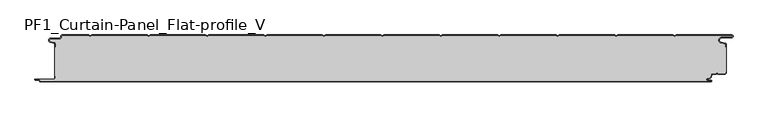
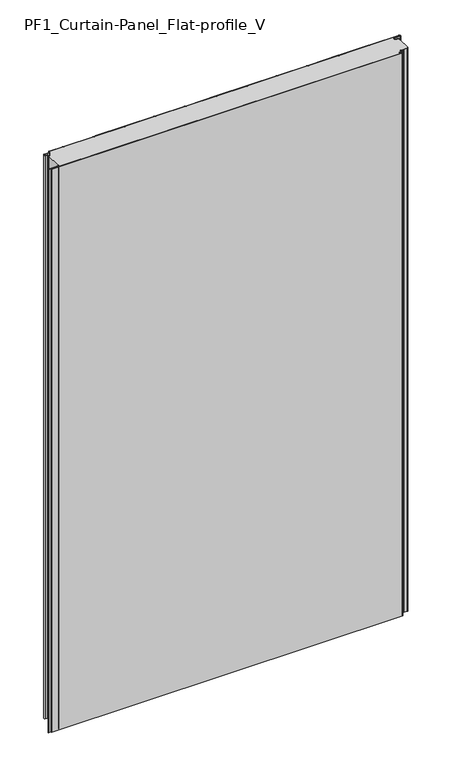
"""IFC4 building model written with IfcOpenShell, lengths in millimetres: plate geometry, PF1_Curtain-Panel_Flat-profile_V."""

import ifcopenshell
import ifcopenshell.guid

model = None  # the IFC model being written
_history = None  # IfcOwnerHistory: only IFC2X3 demands one
_inside = {}  # id of a spatial element -> (the spatial element, [elements in it])
_under = {}  # id of a project, library or spatial element -> (it, [spatial elements below it])
_declared = {}  # id of a project -> (the project, [libraries it declares])
_typed = {}  # id of a type object -> (the type object, [elements of that type])
_made_of = {}  # id of a material, layer set ... -> (it, [elements and type objects made of it])


def new_model(schema):
    """Start an empty IFC model of exactly this schema.

    Asked for "IFC4X3", IfcOpenShell would pick the latest addendum, in which some entities
    have other attributes; the version numbers below select the first issue.
    IFC2X3 requires an IfcOwnerHistory on every rooted entity: one is made here for all.
    """
    global model, _history
    if schema == "IFC4X3":
        model = ifcopenshell.file(schema_version=(4, 3, 0, 0))
    else:
        model = ifcopenshell.file(schema=schema)
    _inside.clear()
    _under.clear()
    _declared.clear()
    _typed.clear()
    _made_of.clear()
    _history = None
    if model.schema == "IFC2X3":
        org = make("IfcOrganization", Name="unknown")
        user = make(
            "IfcPersonAndOrganization",
            ThePerson=make("IfcPerson", FamilyName="unknown"),
            TheOrganization=org,
        )
        app = make(
            "IfcApplication",
            ApplicationDeveloper=org,
            Version="unknown",
            ApplicationFullName="unknown",
            ApplicationIdentifier="unknown",
        )
        _history = make(
            "IfcOwnerHistory",
            OwningUser=user,
            OwningApplication=app,
            ChangeAction="ADDED",
            CreationDate=0,
        )
    return model


def make(cls, **values):
    """One entity of the class cls with the attributes given. An attribute that is None is left unset."""
    return model.create_entity(
        cls, **{name: value for name, value in values.items() if value is not None}
    )


def rooted(cls, **values):
    """An entity with a GlobalId (a new one), such as an element, a storey or a relation."""
    return make(cls, GlobalId=ifcopenshell.guid.new(), OwnerHistory=_history, **values)


def si_unit(unit_type, name, prefix=None):
    """IfcSIUnit, for example si_unit("LENGTHUNIT", "METRE", prefix="MILLI")."""
    return make("IfcSIUnit", UnitType=unit_type, Prefix=prefix, Name=name)


def assignment(units):
    """IfcUnitAssignment: the units of a project."""
    return None if units is None else make("IfcUnitAssignment", Units=units)


def point(xyz):
    """IfcCartesianPoint."""
    return None if xyz is None else make("IfcCartesianPoint", Coordinates=xyz)


def direction(xyz):
    """IfcDirection."""
    return None if xyz is None else make("IfcDirection", DirectionRatios=xyz)


def frame(location, z_axis=None, x_axis=None):
    """IfcAxis2Placement3D, a coordinate frame: its origin and axes. An axis left out is left unset."""
    return make(
        "IfcAxis2Placement3D",
        Location=point(location),
        Axis=direction(z_axis),
        RefDirection=direction(x_axis),
    )


def frame_2d(location, x_axis=None):
    """IfcAxis2Placement2D, a coordinate frame in the plane: its origin and x axis."""
    return make(
        "IfcAxis2Placement2D", Location=point(location), RefDirection=direction(x_axis)
    )


def origin():
    """The frame at (0, 0, 0) with its axes left unset."""
    return frame((0.0, 0.0, 0.0))


def origin_with_axes():
    """The frame at (0, 0, 0) with the z axis (0, 0, 1) and the x axis (1, 0, 0) written out."""
    return frame((0.0, 0.0, 0.0), z_axis=(0.0, 0.0, 1.0), x_axis=(1.0, 0.0, 0.0))


def place(relative_to, where):
    """IfcLocalPlacement: puts the frame where relative to a parent placement (None: the world)."""
    return make(
        "IfcLocalPlacement", PlacementRelTo=relative_to, RelativePlacement=where
    )


def context(
    kind, dimensions, precision=None, world=None, true_north=None, identifier=None
):
    """IfcGeometricRepresentationContext, for example the 3D "Model" context."""
    return make(
        "IfcGeometricRepresentationContext",
        ContextIdentifier=identifier,
        ContextType=kind,
        CoordinateSpaceDimension=dimensions,
        Precision=precision,
        WorldCoordinateSystem=world,
        TrueNorth=true_north,
    )


def project(units=None, contexts=None):
    """IfcProject with its units and contexts."""
    return rooted(
        "IfcProject",
        Name="project",
        RepresentationContexts=contexts,
        UnitsInContext=assignment(units),
    )


def spatial(cls, under=None, at=None, **own):
    """A site, building, storey or space (cls), placed at a placement, below another one or the project."""
    s = rooted(cls, ObjectPlacement=at, **own)
    if under is not None:
        _under.setdefault(under.id(), (under, []))[1].append(s)
    return s


def polyline(points):
    """IfcPolyline through the points."""
    return make("IfcPolyline", Points=[point(p) for p in points])


def circle_curve(where, radius):
    """IfcCircle in the frame where."""
    return make("IfcCircle", Position=where, Radius=radius)


def trimmed(basis, trim1, trim2, sense, master):
    """IfcTrimmedCurve: the piece of a basis curve between two trims."""
    return make(
        "IfcTrimmedCurve",
        BasisCurve=basis,
        Trim1=trim1,
        Trim2=trim2,
        SenseAgreement=sense,
        MasterRepresentation=master,
    )


def segment(curve, same_sense, transition):
    """IfcCompositeCurveSegment."""
    return make(
        "IfcCompositeCurveSegment",
        Transition=transition,
        SameSense=same_sense,
        ParentCurve=curve,
    )


def composite_curve(segments, self_intersect=None):
    """IfcCompositeCurve: segments joined end to end."""
    return make("IfcCompositeCurve", Segments=segments, SelfIntersect=self_intersect)


def outline(outer, holes=None, kind="AREA"):
    """IfcArbitraryClosedProfileDef: a profile drawn as a closed curve; with holes, ...WithVoids."""
    if holes is None:
        return make("IfcArbitraryClosedProfileDef", ProfileType=kind, OuterCurve=outer)
    return make(
        "IfcArbitraryProfileDefWithVoids",
        ProfileType=kind,
        OuterCurve=outer,
        InnerCurves=holes,
    )


def extrude(swept, where, along, depth):
    """IfcExtrudedAreaSolid: the profile swept, set in the frame where, extruded along a direction by depth."""
    return make(
        "IfcExtrudedAreaSolid",
        SweptArea=swept,
        Position=where,
        ExtrudedDirection=direction(along),
        Depth=depth,
    )


def shape(context_of_items, identifier, shape_type, items):
    """IfcShapeRepresentation: the items that make up one representation, for example the "Body"."""
    return make(
        "IfcShapeRepresentation",
        ContextOfItems=context_of_items,
        RepresentationIdentifier=identifier,
        RepresentationType=shape_type,
        Items=items,
    )


def source(mapping_origin, context_of_items, identifier, shape_type, items):
    """IfcRepresentationMap: a shape defined once, which mapped items show again and again."""
    return make(
        "IfcRepresentationMap",
        MappingOrigin=mapping_origin,
        MappedRepresentation=shape(context_of_items, identifier, shape_type, items),
    )


def transform(
    local_origin,
    x_axis=None,
    y_axis=None,
    z_axis=None,
    scale=None,
    scale2=None,
    scale3=None,
    uniform=True,
):
    """IfcCartesianTransformationOperator3D, or its non-uniform kind. x_axis, y_axis, z_axis: its Axis1, 2, 3."""
    if uniform:
        return make(
            "IfcCartesianTransformationOperator3D",
            Axis1=direction(x_axis),
            Axis2=direction(y_axis),
            LocalOrigin=point(local_origin),
            Scale=scale,
            Axis3=direction(z_axis),
        )
    return make(
        "IfcCartesianTransformationOperator3DnonUniform",
        Axis1=direction(x_axis),
        Axis2=direction(y_axis),
        LocalOrigin=point(local_origin),
        Scale=scale,
        Axis3=direction(z_axis),
        Scale2=scale2,
        Scale3=scale3,
    )


def mapped(mapping_source, mapping_target):
    """IfcMappedItem: shows the shape of a source again, moved by a transform."""
    return make(
        "IfcMappedItem", MappingSource=mapping_source, MappingTarget=mapping_target
    )


def made_of(thing, what):
    """Note that an element or type object is made of a material, layer set ...; save() writes the relation."""
    if what is not None:
        _made_of.setdefault(what.id(), (what, []))[1].append(thing)
    return thing


def element(
    cls,
    number,
    at=None,
    inside=None,
    cuts=None,
    type_object=None,
    material=None,
    context=None,
    identifier="Body",
    shape_type=None,
    held_by="IfcProductDefinitionShape",
    body=None,
    shapes=None,
    **own,
):
    """One element of the class cls, such as IfcWall. Its Tag is "e" and its number.

    at: its placement. inside: the storey or other place that contains it. cuts: it is an
    opening in that element (IfcRelVoidsElement). A single representation is given by context,
    identifier, shape_type and body (its items); several are given by shapes. held_by: the class
    of the entity that holds the representations. save() writes the other relations.
    """
    e = rooted(cls, Tag="e%d" % number, ObjectPlacement=at, **own)
    if body is not None:
        shapes = [shape(context, identifier, shape_type, body)]
    if shapes is not None:
        e.Representation = make(held_by, Representations=shapes)
    if inside is not None:
        _inside.setdefault(inside.id(), (inside, []))[1].append(e)
    if cuts is not None:
        rooted(
            "IfcRelVoidsElement", RelatingBuildingElement=cuts, RelatedOpeningElement=e
        )
    if type_object is not None:
        _typed.setdefault(type_object.id(), (type_object, []))[1].append(e)
    return made_of(e, material)


def aggregate(whole, parts):
    """IfcRelAggregates: a whole, such as a stair, and the parts it consists of."""
    return rooted("IfcRelAggregates", RelatingObject=whole, RelatedObjects=parts)


def save(model, path):
    """Write the relations noted so far, then the file.

    IfcRelAggregates (storeys below a building ...), IfcRelContainedInSpatialStructure (elements
    in a storey), IfcRelDefinesByType, IfcRelAssociatesMaterial and IfcRelDeclares: one each for
    every whole, place, type object, material and project.
    """
    for whole, parts in _under.values():
        aggregate(whole, parts)
    for where, things in _inside.values():
        rooted(
            "IfcRelContainedInSpatialStructure",
            RelatedElements=things,
            RelatingStructure=where,
        )
    for kind, things in _typed.values():
        rooted("IfcRelDefinesByType", RelatedObjects=things, RelatingType=kind)
    for what, things in _made_of.values():
        rooted("IfcRelAssociatesMaterial", RelatedObjects=things, RelatingMaterial=what)
    for by, libraries in _declared.values():
        rooted("IfcRelDeclares", RelatingContext=by, RelatedDefinitions=libraries)
    model.write(path)


def pf1_curtain_panel_flat_profile_v_b71db763(model_context):
    return source(origin(), model_context, "Body", "SweptSolid", [
        extrude(outline(composite_curve([segment(trimmed(circle_curve(frame_2d((-577.0, -15.878557)), 2.0), [point((-575.0, -15.878557))], [point((-576.5500978, -13.9298169))], True, "CARTESIAN"), True, "CONTINUOUS"), segment(polyline([(-576.5500978, -13.9298169), (-582.7098239, -12.507732)]), True, "CONTINUOUS"), segment(trimmed(circle_curve(frame_2d((-581.9, -9.0)), 3.6), [point((-582.7098239, -12.507732))], [point((-581.9, -5.4))], False, "CARTESIAN"), True, "CONTINUOUS"), segment(polyline([(-581.9, -5.4), (-566.4, -5.4)]), True, "CONTINUOUS"), segment(trimmed(circle_curve(frame_2d((-566.4, -3.4)), 2.0), [point((-566.4, -5.4))], [point((-564.4, -3.4))], True, "CARTESIAN"), True, "CONTINUOUS"), segment(polyline([(-564.4, -3.4), (-564.4, -2.0)]), True, "CONTINUOUS"), segment(trimmed(circle_curve(frame_2d((-562.4, -2.0)), 2.0), [point((-564.4, -2.0))], [point((-562.4, 0.0))], False, "CARTESIAN"), True, "CONTINUOUS"), segment(polyline([(-562.4, 0.0), (-517.0999995, 0.0), (-514.4, -1.5588455), (-511.7000005, 0.0), (-417.0999995, 0.0), (-414.4, -1.5588455), (-411.7000005, 0.0), (-317.0999995, 0.0), (-314.4, -1.5588455), (-311.7000005, 0.0), (-217.0999995, 0.0), (-214.4, -1.5588455), (-211.7000005, 0.0), (-117.0999995, 0.0), (-114.4, -1.5588455), (-111.7000005, 0.0), (-17.0999995, 0.0), (-14.4, -1.5588455), (-11.7000005, 0.0), (82.9000005, 0.0), (85.6, -1.5588455), (88.2999995, 0.0), (182.9000005, 0.0), (185.6, -1.5588455), (188.2999995, 0.0), (282.9000005, 0.0), (285.6, -1.5588455), (288.2999995, 0.0), (382.9000005, 0.0), (385.6, -1.5588455), (388.2999995, 0.0), (482.9000005, 0.0), (485.6, -1.5588455), (488.2999995, 0.0), (583.268846, 0.0)]), True, "CONTINUOUS"), segment(trimmed(circle_curve(frame_2d((583.268846, -2.5)), 2.5), [point((583.268846, 0.0))], [point((583.268846, -5.0))], False, "CARTESIAN"), True, "CONTINUOUS"), segment(polyline([(583.268846, -5.0), (566.268846, -5.0)]), True, "CONTINUOUS"), segment(trimmed(circle_curve(frame_2d((566.268846, -9.0)), 4.0), [point((566.268846, -5.0))], [point((565.574253, -12.939231))], True, "CARTESIAN"), True, "CONTINUOUS"), segment(polyline([(565.574253, -12.939231), (572.0203315, -14.0758491)]), True, "CONTINUOUS"), segment(trimmed(circle_curve(frame_2d((571.568846, -16.6363492)), 2.6), [point((572.0203315, -14.0758491))], [point((574.168846, -16.6363492))], False, "CARTESIAN"), True, "CONTINUOUS"), segment(polyline([(574.168846, -16.6363492), (574.168846, -20.0), (573.368846, -20.0), (573.368846, -16.6363492)]), True, "CONTINUOUS"), segment(trimmed(circle_curve(frame_2d((571.568846, -16.6363492)), 1.8), [point((573.368846, -16.6363492))], [point((571.8814129, -14.8636953))], True, "CARTESIAN"), True, "CONTINUOUS"), segment(polyline([(571.8814129, -14.8636953), (565.4353344, -13.7270772)]), True, "CONTINUOUS"), segment(trimmed(circle_curve(frame_2d((566.268846, -9.0)), 4.8), [point((565.4353344, -13.7270772))], [point((566.268846, -4.2))], False, "CARTESIAN"), True, "CONTINUOUS"), segment(polyline([(566.268846, -4.2), (583.268846, -4.2)]), True, "CONTINUOUS"), segment(trimmed(circle_curve(frame_2d((583.268846, -2.5)), 1.7), [point((583.268846, -4.2))], [point((583.268846, -0.8))], True, "CARTESIAN"), True, "CONTINUOUS"), segment(polyline([(583.268846, -0.8), (488.5143588, -0.8), (485.6, -2.482606), (482.6856412, -0.8), (388.5143588, -0.8), (385.6, -2.482606), (382.6856412, -0.8), (288.5143588, -0.8), (285.6, -2.482606), (282.6856412, -0.8), (188.5143588, -0.8), (185.6, -2.482606), (182.6856412, -0.8), (88.5143588, -0.8), (85.6, -2.482606), (82.6856412, -0.8), (-11.4856412, -0.8), (-14.4, -2.482606), (-17.3143588, -0.8), (-111.4856412, -0.8), (-114.4, -2.482606), (-117.3143588, -0.8), (-211.4856412, -0.8), (-214.4, -2.482606), (-217.3143588, -0.8), (-311.4856412, -0.8), (-314.4, -2.482606), (-317.3143588, -0.8), (-411.4856412, -0.8), (-414.4, -2.482606), (-417.3143588, -0.8), (-511.4856412, -0.8), (-514.4, -2.482606), (-517.3143588, -0.8), (-562.4, -0.8)]), True, "CONTINUOUS"), segment(trimmed(circle_curve(frame_2d((-562.4, -2.0)), 1.2), [point((-562.4, -0.8))], [point((-563.6, -2.0))], True, "CARTESIAN"), True, "CONTINUOUS"), segment(polyline([(-563.6, -2.0), (-563.6, -3.4)]), True, "CONTINUOUS"), segment(trimmed(circle_curve(frame_2d((-566.4, -3.4)), 2.8), [point((-563.6, -3.4))], [point((-566.4, -6.2))], False, "CARTESIAN"), True, "CONTINUOUS"), segment(polyline([(-566.4, -6.2), (-581.9, -6.2)]), True, "CONTINUOUS"), segment(trimmed(circle_curve(frame_2d((-581.9, -9.0)), 2.8), [point((-581.9, -6.2))], [point((-582.529863, -11.7282362))], True, "CARTESIAN"), True, "CONTINUOUS"), segment(polyline([(-582.529863, -11.7282362), (-576.370137, -13.150321)]), True, "CONTINUOUS"), segment(trimmed(circle_curve(frame_2d((-577.0, -15.878557)), 2.8), [point((-576.370137, -13.150321))], [point((-574.2, -15.878557))], False, "CARTESIAN"), True, "CONTINUOUS"), segment(polyline([(-574.2, -15.878557), (-574.2, -20.0), (-575.0, -20.0), (-575.0, -15.878557)]), True, "CONTINUOUS")], self_intersect=False)), origin_with_axes(), (0.0, 0.0, 1.0), 1945.7507136),
        extrude(outline(composite_curve([segment(polyline([(-574.2, -70.0), (-575.0, -70.0), (-575.0, -20.0), (-574.2, -20.0), (-574.2, -15.878557)]), True, "CONTINUOUS"), segment(trimmed(circle_curve(frame_2d((-577.0, -15.878557)), 2.8), [point((-574.2, -15.878557))], [point((-576.370137, -13.1503208))], True, "CARTESIAN"), True, "CONTINUOUS"), segment(polyline([(-576.370137, -13.1503208), (-582.529863, -11.7282362)]), True, "CONTINUOUS"), segment(trimmed(circle_curve(frame_2d((-581.9, -9.0)), 2.8), [point((-582.529863, -11.7282362))], [point((-581.9, -6.2))], False, "CARTESIAN"), True, "CONTINUOUS"), segment(polyline([(-581.9, -6.2), (-566.4, -6.2)]), True, "CONTINUOUS"), segment(trimmed(circle_curve(frame_2d((-566.4, -3.4)), 2.8), [point((-566.4, -6.2))], [point((-563.6, -3.4))], True, "CARTESIAN"), True, "CONTINUOUS"), segment(polyline([(-563.6, -3.4), (-563.6, -2.0)]), True, "CONTINUOUS"), segment(trimmed(circle_curve(frame_2d((-562.4, -2.0)), 1.2), [point((-563.6, -2.0))], [point((-562.4, -0.8))], False, "CARTESIAN"), True, "CONTINUOUS"), segment(polyline([(-562.4, -0.8), (-517.3143588, -0.8), (-514.4, -2.482606), (-511.4856412, -0.8), (-417.3143588, -0.8), (-414.4, -2.482606), (-411.4856412, -0.8), (-317.3143588, -0.8), (-314.4, -2.482606), (-311.4856412, -0.8), (-217.3143588, -0.8), (-214.4, -2.482606), (-211.4856412, -0.8), (-117.3143588, -0.8), (-114.4, -2.482606), (-111.4856412, -0.8), (-17.3143588, -0.8), (-14.4, -2.482606), (-11.4856412, -0.8), (82.6856412, -0.8), (85.6, -2.482606), (88.5143588, -0.8), (182.6856412, -0.8), (185.6, -2.482606), (188.5143588, -0.8), (282.6856412, -0.8), (285.6, -2.482606), (288.5143588, -0.8), (382.6856412, -0.8), (385.6, -2.482606), (388.5143588, -0.8), (482.6856412, -0.8), (485.6, -2.482606), (488.5143588, -0.8), (583.268846, -0.8)]), True, "CONTINUOUS"), segment(trimmed(circle_curve(frame_2d((583.268846, -2.5)), 1.7), [point((583.268846, -0.8))], [point((583.268846, -4.2))], False, "CARTESIAN"), True, "CONTINUOUS"), segment(polyline([(583.268846, -4.2), (566.268846, -4.2)]), True, "CONTINUOUS"), segment(trimmed(circle_curve(frame_2d((566.268846, -9.0)), 4.8), [point((566.268846, -4.2))], [point((565.4353344, -13.7270772))], True, "CARTESIAN"), True, "CONTINUOUS"), segment(polyline([(565.4353344, -13.7270772), (571.8814129, -14.8636953)]), True, "CONTINUOUS"), segment(trimmed(circle_curve(frame_2d((571.568846, -16.6363492)), 1.8), [point((571.8814129, -14.8636953))], [point((573.368846, -16.6363492))], False, "CARTESIAN"), True, "CONTINUOUS"), segment(polyline([(573.368846, -16.6363492), (573.368846, -20.0), (574.168846, -20.0), (574.168846, -63.0), (573.368846, -63.0), (573.368846, -64.4)]), True, "CONTINUOUS"), segment(trimmed(circle_curve(frame_2d((571.568846, -64.4)), 1.8), [point((573.368846, -64.4))], [point((571.568846, -66.2))], False, "CARTESIAN"), True, "CONTINUOUS"), segment(polyline([(571.568846, -66.2), (560.0002158, -66.2), (558.168846, -64.3686285), (556.3374762, -66.2), (550.168846, -66.2)]), True, "CONTINUOUS"), segment(trimmed(circle_curve(frame_2d((550.168846, -68.0)), 1.8), [point((550.168846, -66.2))], [point((548.368846, -68.0))], True, "CARTESIAN"), True, "CONTINUOUS"), segment(polyline([(548.368846, -68.0), (548.368846, -68.8276204)]), True, "CONTINUOUS"), segment(trimmed(circle_curve(frame_2d((542.9964664, -68.8276204)), 5.3723796), [point((548.368846, -68.8276204))], [point((542.9964664, -74.2))], False, "CARTESIAN"), True, "CONTINUOUS"), segment(polyline([(542.9964664, -74.2), (542.168846, -74.2)]), True, "CONTINUOUS"), segment(trimmed(circle_curve(frame_2d((542.168846, -76.4)), 2.2), [point((542.168846, -74.2))], [point((542.168846, -78.6))], True, "CARTESIAN"), True, "CONTINUOUS"), segment(polyline([(542.168846, -78.6), (548.0579973, -78.6)]), True, "CONTINUOUS"), segment(trimmed(circle_curve(frame_2d((548.0579973, -78.9)), 0.3), [point((548.0579973, -78.6))], [point((548.0579973, -79.2))], False, "CARTESIAN"), True, "CONTINUOUS"), segment(polyline([(548.0579973, -79.2), (-599.4, -79.2)]), True, "CONTINUOUS"), segment(trimmed(circle_curve(frame_2d((-599.4, -78.4)), 0.8), [point((-599.4, -79.2))], [point((-600.2, -78.4))], False, "CARTESIAN"), True, "CONTINUOUS"), segment(trimmed(circle_curve(frame_2d((-601.9, -78.6133333)), 1.7133333), [point((-600.2, -78.4))], [point((-601.9, -76.9))], True, "CARTESIAN"), True, "CONTINUOUS"), segment(polyline([(-601.9, -76.9), (-607.8700312, -76.9)]), True, "CONTINUOUS"), segment(trimmed(circle_curve(frame_2d((-607.8700312, -76.6)), 0.3), [point((-607.8700312, -76.9))], [point((-607.8700312, -76.3))], False, "CARTESIAN"), True, "CONTINUOUS"), segment(polyline([(-607.8700312, -76.3), (-577.0, -76.3)]), True, "CONTINUOUS"), segment(trimmed(circle_curve(frame_2d((-577.0, -73.5)), 2.8), [point((-577.0, -76.3))], [point((-574.2, -73.5))], True, "CARTESIAN"), True, "CONTINUOUS"), segment(polyline([(-574.2, -73.5), (-574.2, -70.0)]), True, "CONTINUOUS")], self_intersect=False)), origin_with_axes(), (0.0, 0.0, 1.0), 1945.7507136),
        extrude(outline(composite_curve([segment(polyline([(-575.0, -70.0), (-574.2, -70.0), (-574.2, -73.5)]), True, "CONTINUOUS"), segment(trimmed(circle_curve(frame_2d((-577.0, -73.5)), 2.8), [point((-574.2, -73.5))], [point((-577.0, -76.3))], False, "CARTESIAN"), True, "CONTINUOUS"), segment(polyline([(-577.0, -76.3), (-607.8700312, -76.3)]), True, "CONTINUOUS"), segment(trimmed(circle_curve(frame_2d((-607.8700312, -76.6)), 0.3), [point((-607.8700312, -76.3))], [point((-607.8700312, -76.9))], True, "CARTESIAN"), True, "CONTINUOUS"), segment(polyline([(-607.8700312, -76.9), (-601.9, -76.9)]), True, "CONTINUOUS"), segment(trimmed(circle_curve(frame_2d((-601.9, -78.6133333)), 1.7133333), [point((-601.9, -76.9))], [point((-600.2, -78.4))], False, "CARTESIAN"), True, "CONTINUOUS"), segment(trimmed(circle_curve(frame_2d((-599.4, -78.4)), 0.8), [point((-600.2, -78.4))], [point((-599.4, -79.2))], True, "CARTESIAN"), True, "CONTINUOUS"), segment(polyline([(-599.4, -79.2), (548.0579973, -79.2)]), True, "CONTINUOUS"), segment(trimmed(circle_curve(frame_2d((548.0579973, -78.9)), 0.3), [point((548.0579973, -79.2))], [point((548.0579973, -78.6))], True, "CARTESIAN"), True, "CONTINUOUS"), segment(polyline([(548.0579973, -78.6), (542.168846, -78.6)]), True, "CONTINUOUS"), segment(trimmed(circle_curve(frame_2d((542.168846, -76.4)), 2.2), [point((542.168846, -78.6))], [point((542.168846, -74.2))], False, "CARTESIAN"), True, "CONTINUOUS"), segment(polyline([(542.168846, -74.2), (542.9964664, -74.2)]), True, "CONTINUOUS"), segment(trimmed(circle_curve(frame_2d((542.9964664, -68.8276204)), 5.3723796), [point((542.9964664, -74.2))], [point((548.368846, -68.8276204))], True, "CARTESIAN"), True, "CONTINUOUS"), segment(polyline([(548.368846, -68.8276204), (548.368846, -68.0)]), True, "CONTINUOUS"), segment(trimmed(circle_curve(frame_2d((550.168846, -68.0)), 1.8), [point((548.368846, -68.0))], [point((550.168846, -66.2))], False, "CARTESIAN"), True, "CONTINUOUS"), segment(polyline([(550.168846, -66.2), (556.3374762, -66.2), (558.168846, -64.3686285), (560.0002158, -66.2), (571.568846, -66.2)]), True, "CONTINUOUS"), segment(trimmed(circle_curve(frame_2d((571.568846, -64.4)), 1.8), [point((571.568846, -66.2))], [point((573.368846, -64.4))], True, "CARTESIAN"), True, "CONTINUOUS"), segment(polyline([(573.368846, -64.4), (573.368846, -63.0), (574.168846, -63.0), (574.168846, -64.4)]), True, "CONTINUOUS"), segment(trimmed(circle_curve(frame_2d((571.568846, -64.4)), 2.6), [point((574.168846, -64.4))], [point((571.568846, -67.0))], False, "CARTESIAN"), True, "CONTINUOUS"), segment(polyline([(571.568846, -67.0), (559.6688448, -67.0), (558.168846, -65.4999999), (556.6688472, -67.0), (550.168846, -67.0)]), True, "CONTINUOUS"), segment(trimmed(circle_curve(frame_2d((550.168846, -68.0)), 1.0), [point((550.168846, -67.0))], [point((549.168846, -68.0))], True, "CARTESIAN"), True, "CONTINUOUS"), segment(polyline([(549.168846, -68.0), (549.168846, -68.8276204)]), True, "CONTINUOUS"), segment(trimmed(circle_curve(frame_2d((542.9964664, -68.8276204)), 6.1723796), [point((549.168846, -68.8276204))], [point((542.9964664, -75.0))], False, "CARTESIAN"), True, "CONTINUOUS"), segment(polyline([(542.9964664, -75.0), (542.168846, -75.0)]), True, "CONTINUOUS"), segment(trimmed(circle_curve(frame_2d((542.168846, -76.5)), 1.5), [point((542.168846, -75.0))], [point((542.168846, -78.0))], True, "CARTESIAN"), True, "CONTINUOUS"), segment(polyline([(542.168846, -78.0), (548.168846, -78.0)]), True, "CONTINUOUS"), segment(trimmed(circle_curve(frame_2d((548.168846, -79.0)), 1.0), [point((548.168846, -78.0))], [point((548.168846, -80.0))], False, "CARTESIAN"), True, "CONTINUOUS"), segment(polyline([(548.168846, -80.0), (-599.4, -80.0)]), True, "CONTINUOUS"), segment(trimmed(circle_curve(frame_2d((-599.4, -78.4)), 1.6), [point((-599.4, -80.0))], [point((-601.0, -78.4))], False, "CARTESIAN"), True, "CONTINUOUS"), segment(trimmed(circle_curve(frame_2d((-601.9, -78.4)), 0.9), [point((-601.0, -78.4))], [point((-601.9, -77.5))], True, "CARTESIAN"), True, "CONTINUOUS"), segment(polyline([(-601.9, -77.5), (-608.0, -77.5)]), True, "CONTINUOUS"), segment(trimmed(circle_curve(frame_2d((-608.0, -76.5)), 1.0), [point((-608.0, -77.5))], [point((-608.0, -75.5))], False, "CARTESIAN"), True, "CONTINUOUS"), segment(polyline([(-608.0, -75.5), (-577.0, -75.5)]), True, "CONTINUOUS"), segment(trimmed(circle_curve(frame_2d((-577.0, -73.5)), 2.0), [point((-577.0, -75.5))], [point((-575.0, -73.5))], True, "CARTESIAN"), True, "CONTINUOUS"), segment(polyline([(-575.0, -73.5), (-575.0, -70.0)]), True, "CONTINUOUS")], self_intersect=False)), origin_with_axes(), (0.0, 0.0, 1.0), 1945.7507136),
    ])


if __name__ == "__main__":
    model = new_model("IFC4")
    model_context = context("Model", 3, world=origin())
    ifc_project = project(units=[si_unit("LENGTHUNIT", "METRE", prefix="MILLI")], contexts=[model_context])
    site = spatial("IfcSite", under=ifc_project)
    building = spatial("IfcBuilding", under=site)
    placement = place(None, origin())
    pf1_curtain_panel_flat_profile_v_shape = pf1_curtain_panel_flat_profile_v_b71db763(model_context)
    element("IfcPlate", 1, ObjectType="PF1_Curtain-Panel_Flat-profile_V", at=placement, inside=building, context=model_context, shape_type="MappedRepresentation", body=[
        mapped(pf1_curtain_panel_flat_profile_v_shape, transform((0.0, 0.0, 0.0), x_axis=(1.0, 0.0, 0.0), y_axis=(0.0, 1.0, 0.0), z_axis=(0.0, 0.0, 1.0))),
    ])
    save(model, "model.ifc")
